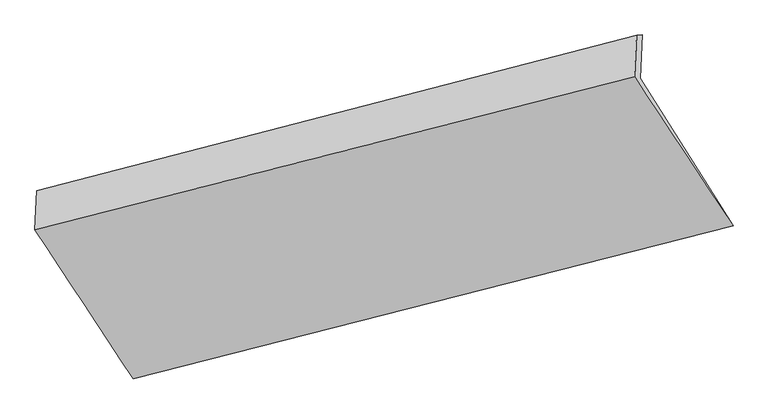
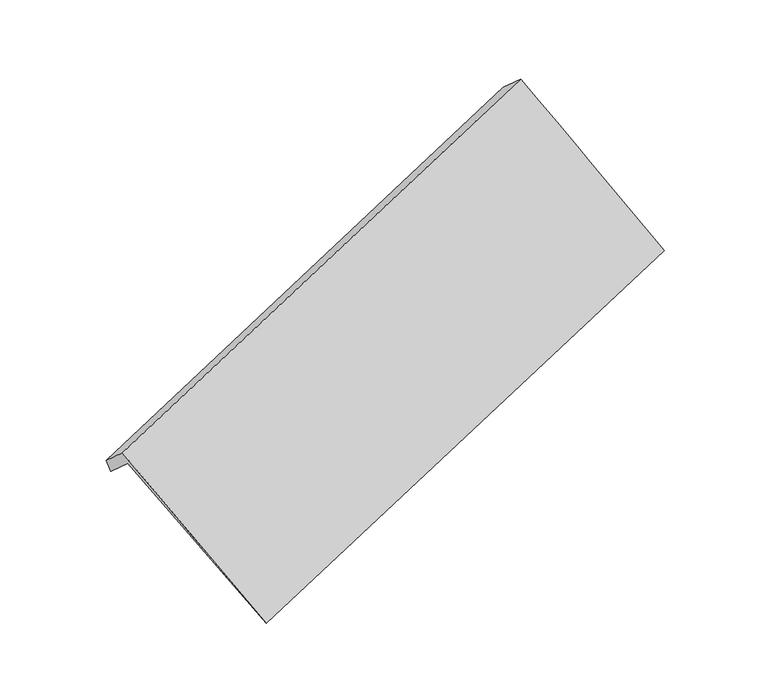
"""IFC4 building model written with IfcOpenShell, lengths in millimetres: proxy geometry."""

from ifc_helpers import new_model, si_unit, frame, origin, place, context, project, spatial, source, transform, mapped, element, save
from ifc_brep_helpers import plane_surface, spline_surface, advanced_brep


def generic_models_24b6ebc3(model_context):
    return source(origin(), model_context, "Body", "AdvancedBrep", [
        advanced_brep(
        [(-5162.8678045, -2019.0740811, 1449.3414951), (-5155.4957896, -1868.1446952, 1315.6947082), (-762.6604315, -735.7353117, 2808.1670679), (-770.4342697, -894.8913413, 2949.0984833), (-5148.1237747, -1717.2153092, 1182.0479212), (-754.8865933, -576.5792821, 2667.2356525), (-5190.2349904, -1719.1589074, 1306.3827442), (-796.997809, -578.5228803, 2791.5704754), (-5204.0838117, -2002.6898168, 1557.4471396), (-811.9528366, -884.7014688, 3062.689213), (-4484.5289777, -3096.3639825, 270.1587929), (-89.9640732, -1975.5661338, 1766.2107384)],
        [
            (0, 1),
            (1, 2),
            (2, 3),
            (3, 0),
            (1, 4),
            (4, 5),
            (5, 2),
            (4, 6),
            (6, 7),
            (7, 5),
            (6, 8),
            (8, 9),
            (9, 7),
            (8, 10),
            (10, 11),
            (11, 9),
            (10, 0),
            (3, 11),
        ],
        [
            plane_surface(frame((-5159.1817971, -1943.6093882, 1382.5181016), z_axis=(0.3909121012696556, -0.6208190396698817, -0.6795376730279997), x_axis=(0.03654374616093568, 0.7481706464056062, -0.662499236583366))),
            plane_surface(frame((-5151.8097822, -1792.6800022, 1248.8713147), z_axis=(0.3909121012696552, -0.6208190396699076, -0.6795376730279763), x_axis=(0.03654374616101652, 0.7481706464056016, -0.6624992365833665))),
            plane_surface(frame((-5169.1793826, -1718.1871083, 1244.2153327), z_axis=(-0.23079956348782904, 0.9709601304002146, -0.06299195716142074), x_axis=(-0.3207568986384836, -0.014804192194095324, 0.9470458530975688))),
            plane_surface(frame((-5197.159401, -1860.9243621, 1431.9149419), z_axis=(-0.3909121012696544, 0.6208190396699078, 0.6795376730279765), x_axis=(-0.03654374616101664, -0.7481706464056016, 0.6624992365833666))),
            spline_surface(1, 1, [[(-5204.0838117, -2002.6898168, 1557.4471396), (-811.9528366, -884.7014688, 3062.689213)], [(-4484.5289777, -3096.3639825, 270.1587929), (-89.9640732, -1975.5661338, 1766.2107384)]], [2, 2], [2, 2], [0.0, 1.0], [0.0, 1.0]),
            plane_surface(frame((-4823.6983911, -2557.7190318, 859.750144), z_axis=(0.035001367220428126, 0.747776934687129, -0.6630268171368503), x_axis=(-0.390912101269659, 0.6208190396699055, 0.679537673027976))),
            plane_surface(frame((-644.8471164, -982.0522212, 2647.3609125), z_axis=(0.9197022799240284, 0.2341461164323285, 0.31515601289234957), x_axis=(0.39200849598352167, -0.5922920665568506, -0.7039314220650708))),
            plane_surface(frame((-5037.9678718, -2110.9004194, 1153.0756186), z_axis=(-0.9197022799240286, -0.23414611643230823, -0.315156012892364), x_axis=(0.3909121012696565, -0.6208190396699041, -0.6795376730279786))),
        ],
        [
            (0, [[1, 2, 3, 4]]),
            (1, [[5, 6, 7, -2]]),
            (2, [[8, 9, 10, -6]]),
            (3, [[11, 12, 13, -9]]),
            (4, [[14, 15, 16, -12]]),
            (5, [[17, -4, 18, -15]]),
            (6, [[-16, -18, -3, -7, -10, -13]]),
            (7, [[-17, -14, -11, -8, -5, -1]]),
        ],
    ),
    ])


if __name__ == "__main__":
    model = new_model("IFC4")
    model_context = context("Model", 3, world=origin())
    ifc_project = project(units=[si_unit("LENGTHUNIT", "METRE", prefix="MILLI")], contexts=[model_context])
    site = spatial("IfcSite", under=ifc_project)
    building = spatial("IfcBuilding", under=site)
    placement = place(None, origin())
    generic_models_shape = generic_models_24b6ebc3(model_context)
    element("IfcBuildingElementProxy", 1, Name="Generic Models", at=placement, inside=building, context=model_context, shape_type="MappedRepresentation", body=[
        mapped(generic_models_shape, transform((0.0, 0.0, 0.0), x_axis=(1.0, 0.0, 0.0), y_axis=(0.0, 1.0, 0.0), z_axis=(0.0, 0.0, 1.0))),
    ])
    save(model, "model.ifc")
